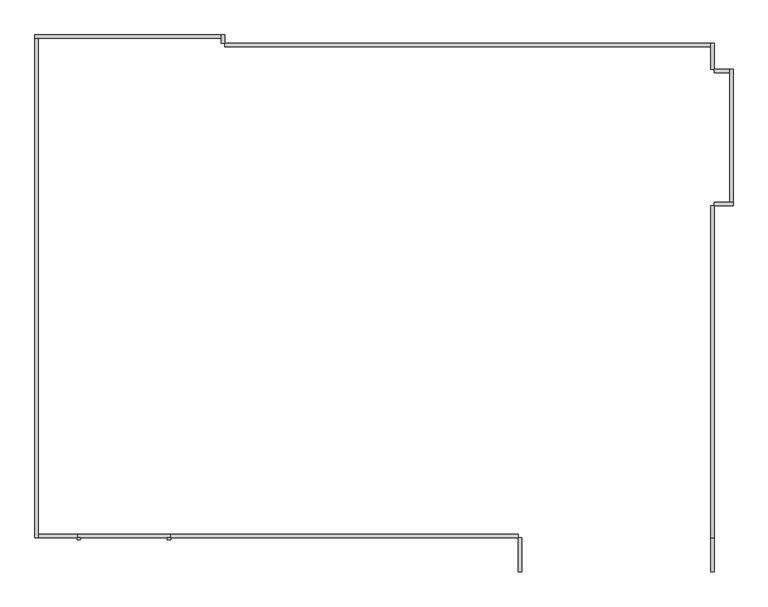
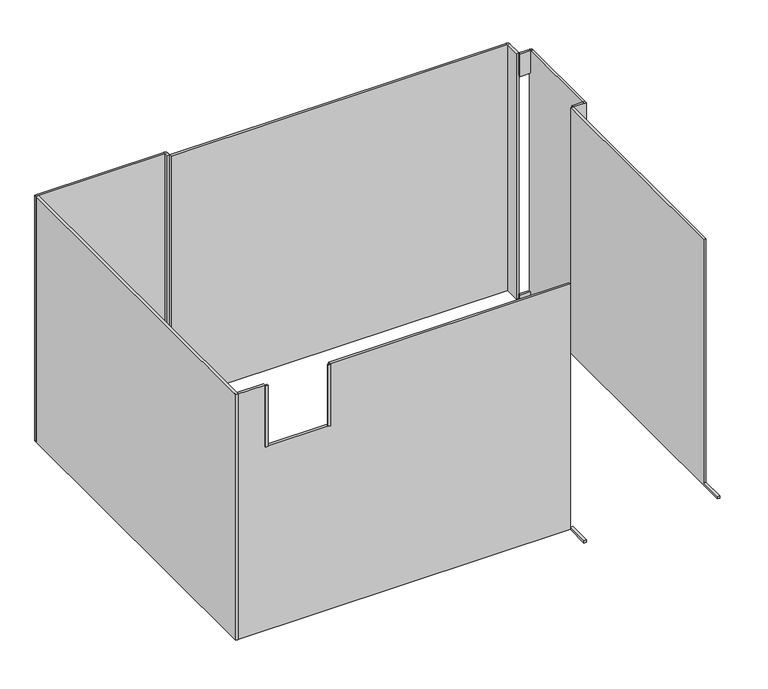
"""IFC4 building model written with IfcOpenShell, lengths in millimetres: proxy geometry."""

import ifcopenshell
import ifcopenshell.guid

model = None  # the IFC model being written
_history = None  # IfcOwnerHistory: only IFC2X3 demands one
_inside = {}  # id of a spatial element -> (the spatial element, [elements in it])
_under = {}  # id of a project, library or spatial element -> (it, [spatial elements below it])
_declared = {}  # id of a project -> (the project, [libraries it declares])
_typed = {}  # id of a type object -> (the type object, [elements of that type])
_made_of = {}  # id of a material, layer set ... -> (it, [elements and type objects made of it])


def new_model(schema):
    """Start an empty IFC model of exactly this schema.

    Asked for "IFC4X3", IfcOpenShell would pick the latest addendum, in which some entities
    have other attributes; the version numbers below select the first issue.
    IFC2X3 requires an IfcOwnerHistory on every rooted entity: one is made here for all.
    """
    global model, _history
    if schema == "IFC4X3":
        model = ifcopenshell.file(schema_version=(4, 3, 0, 0))
    else:
        model = ifcopenshell.file(schema=schema)
    _inside.clear()
    _under.clear()
    _declared.clear()
    _typed.clear()
    _made_of.clear()
    _history = None
    if model.schema == "IFC2X3":
        org = make("IfcOrganization", Name="unknown")
        user = make(
            "IfcPersonAndOrganization",
            ThePerson=make("IfcPerson", FamilyName="unknown"),
            TheOrganization=org,
        )
        app = make(
            "IfcApplication",
            ApplicationDeveloper=org,
            Version="unknown",
            ApplicationFullName="unknown",
            ApplicationIdentifier="unknown",
        )
        _history = make(
            "IfcOwnerHistory",
            OwningUser=user,
            OwningApplication=app,
            ChangeAction="ADDED",
            CreationDate=0,
        )
    return model


def make(cls, **values):
    """One entity of the class cls with the attributes given. An attribute that is None is left unset."""
    return model.create_entity(
        cls, **{name: value for name, value in values.items() if value is not None}
    )


def rooted(cls, **values):
    """An entity with a GlobalId (a new one), such as an element, a storey or a relation."""
    return make(cls, GlobalId=ifcopenshell.guid.new(), OwnerHistory=_history, **values)


def si_unit(unit_type, name, prefix=None):
    """IfcSIUnit, for example si_unit("LENGTHUNIT", "METRE", prefix="MILLI")."""
    return make("IfcSIUnit", UnitType=unit_type, Prefix=prefix, Name=name)


def assignment(units):
    """IfcUnitAssignment: the units of a project."""
    return None if units is None else make("IfcUnitAssignment", Units=units)


def point(xyz):
    """IfcCartesianPoint."""
    return None if xyz is None else make("IfcCartesianPoint", Coordinates=xyz)


def direction(xyz):
    """IfcDirection."""
    return None if xyz is None else make("IfcDirection", DirectionRatios=xyz)


def frame(location, z_axis=None, x_axis=None):
    """IfcAxis2Placement3D, a coordinate frame: its origin and axes. An axis left out is left unset."""
    return make(
        "IfcAxis2Placement3D",
        Location=point(location),
        Axis=direction(z_axis),
        RefDirection=direction(x_axis),
    )


def origin():
    """The frame at (0, 0, 0) with its axes left unset."""
    return frame((0.0, 0.0, 0.0))


def place(relative_to, where):
    """IfcLocalPlacement: puts the frame where relative to a parent placement (None: the world)."""
    return make(
        "IfcLocalPlacement", PlacementRelTo=relative_to, RelativePlacement=where
    )


def context(
    kind, dimensions, precision=None, world=None, true_north=None, identifier=None
):
    """IfcGeometricRepresentationContext, for example the 3D "Model" context."""
    return make(
        "IfcGeometricRepresentationContext",
        ContextIdentifier=identifier,
        ContextType=kind,
        CoordinateSpaceDimension=dimensions,
        Precision=precision,
        WorldCoordinateSystem=world,
        TrueNorth=true_north,
    )


def project(units=None, contexts=None):
    """IfcProject with its units and contexts."""
    return rooted(
        "IfcProject",
        Name="project",
        RepresentationContexts=contexts,
        UnitsInContext=assignment(units),
    )


def spatial(cls, under=None, at=None, **own):
    """A site, building, storey or space (cls), placed at a placement, below another one or the project."""
    s = rooted(cls, ObjectPlacement=at, **own)
    if under is not None:
        _under.setdefault(under.id(), (under, []))[1].append(s)
    return s


def polyline(points):
    """IfcPolyline through the points."""
    return make("IfcPolyline", Points=[point(p) for p in points])


def outline(outer, holes=None, kind="AREA"):
    """IfcArbitraryClosedProfileDef: a profile drawn as a closed curve; with holes, ...WithVoids."""
    if holes is None:
        return make("IfcArbitraryClosedProfileDef", ProfileType=kind, OuterCurve=outer)
    return make(
        "IfcArbitraryProfileDefWithVoids",
        ProfileType=kind,
        OuterCurve=outer,
        InnerCurves=holes,
    )


def extrude(swept, where, along, depth):
    """IfcExtrudedAreaSolid: the profile swept, set in the frame where, extruded along a direction by depth."""
    return make(
        "IfcExtrudedAreaSolid",
        SweptArea=swept,
        Position=where,
        ExtrudedDirection=direction(along),
        Depth=depth,
    )


def shape(context_of_items, identifier, shape_type, items):
    """IfcShapeRepresentation: the items that make up one representation, for example the "Body"."""
    return make(
        "IfcShapeRepresentation",
        ContextOfItems=context_of_items,
        RepresentationIdentifier=identifier,
        RepresentationType=shape_type,
        Items=items,
    )


def source(mapping_origin, context_of_items, identifier, shape_type, items):
    """IfcRepresentationMap: a shape defined once, which mapped items show again and again."""
    return make(
        "IfcRepresentationMap",
        MappingOrigin=mapping_origin,
        MappedRepresentation=shape(context_of_items, identifier, shape_type, items),
    )


def transform(
    local_origin,
    x_axis=None,
    y_axis=None,
    z_axis=None,
    scale=None,
    scale2=None,
    scale3=None,
    uniform=True,
):
    """IfcCartesianTransformationOperator3D, or its non-uniform kind. x_axis, y_axis, z_axis: its Axis1, 2, 3."""
    if uniform:
        return make(
            "IfcCartesianTransformationOperator3D",
            Axis1=direction(x_axis),
            Axis2=direction(y_axis),
            LocalOrigin=point(local_origin),
            Scale=scale,
            Axis3=direction(z_axis),
        )
    return make(
        "IfcCartesianTransformationOperator3DnonUniform",
        Axis1=direction(x_axis),
        Axis2=direction(y_axis),
        LocalOrigin=point(local_origin),
        Scale=scale,
        Axis3=direction(z_axis),
        Scale2=scale2,
        Scale3=scale3,
    )


def mapped(mapping_source, mapping_target):
    """IfcMappedItem: shows the shape of a source again, moved by a transform."""
    return make(
        "IfcMappedItem", MappingSource=mapping_source, MappingTarget=mapping_target
    )


def made_of(thing, what):
    """Note that an element or type object is made of a material, layer set ...; save() writes the relation."""
    if what is not None:
        _made_of.setdefault(what.id(), (what, []))[1].append(thing)
    return thing


def element(
    cls,
    number,
    at=None,
    inside=None,
    cuts=None,
    type_object=None,
    material=None,
    context=None,
    identifier="Body",
    shape_type=None,
    held_by="IfcProductDefinitionShape",
    body=None,
    shapes=None,
    **own,
):
    """One element of the class cls, such as IfcWall. Its Tag is "e" and its number.

    at: its placement. inside: the storey or other place that contains it. cuts: it is an
    opening in that element (IfcRelVoidsElement). A single representation is given by context,
    identifier, shape_type and body (its items); several are given by shapes. held_by: the class
    of the entity that holds the representations. save() writes the other relations.
    """
    e = rooted(cls, Tag="e%d" % number, ObjectPlacement=at, **own)
    if body is not None:
        shapes = [shape(context, identifier, shape_type, body)]
    if shapes is not None:
        e.Representation = make(held_by, Representations=shapes)
    if inside is not None:
        _inside.setdefault(inside.id(), (inside, []))[1].append(e)
    if cuts is not None:
        rooted(
            "IfcRelVoidsElement", RelatingBuildingElement=cuts, RelatedOpeningElement=e
        )
    if type_object is not None:
        _typed.setdefault(type_object.id(), (type_object, []))[1].append(e)
    return made_of(e, material)


def aggregate(whole, parts):
    """IfcRelAggregates: a whole, such as a stair, and the parts it consists of."""
    return rooted("IfcRelAggregates", RelatingObject=whole, RelatedObjects=parts)


def save(model, path):
    """Write the relations noted so far, then the file.

    IfcRelAggregates (storeys below a building ...), IfcRelContainedInSpatialStructure (elements
    in a storey), IfcRelDefinesByType, IfcRelAssociatesMaterial and IfcRelDeclares: one each for
    every whole, place, type object, material and project.
    """
    for whole, parts in _under.values():
        aggregate(whole, parts)
    for where, things in _inside.values():
        rooted(
            "IfcRelContainedInSpatialStructure",
            RelatedElements=things,
            RelatingStructure=where,
        )
    for kind, things in _typed.values():
        rooted("IfcRelDefinesByType", RelatedObjects=things, RelatingType=kind)
    for what, things in _made_of.values():
        rooted("IfcRelAssociatesMaterial", RelatedObjects=things, RelatingMaterial=what)
    for by, libraries in _declared.values():
        rooted("IfcRelDeclares", RelatingContext=by, RelatedDefinitions=libraries)
    model.write(path)


def generic_models_980903ae(model_context):
    return source(origin(), model_context, "Body", "SweptSolid", [
        extrude(outline(polyline([(-7355.8729589, 6979.2010971), (-7355.8729589, 7130.4697439), (-7335.8729589, 7130.4697439), (-7335.8729589, 6979.2010971), (-7355.8729589, 6979.2010971)])), frame((0.0, 0.0, -340.0), z_axis=(0.0, 0.0, 1.0), x_axis=(1.0, 0.0, 0.0)), (0.0, 0.0, 1.0), 2200.0),
        extrude(outline(polyline([(-7335.8729589, 7110.4697439), (-10209.8739293, 7110.4697439), (-10209.8739293, 7130.4697439), (-7335.8729589, 7130.4697439), (-7335.8729589, 7110.4697439)])), frame((0.0, 0.0, -340.0), z_axis=(0.0, 0.0, 1.0), x_axis=(1.0, 0.0, 0.0)), (0.0, 0.0, 1.0), 2200.0),
        extrude(outline(polyline([(-10229.8739293, 7130.4697439), (-10229.8739293, 7180.4697439), (-10209.8739293, 7180.4697439), (-10209.8739293, 7130.4697439), (-10229.8739293, 7130.4697439)])), frame((0.0, 0.0, -340.0), z_axis=(0.0, 0.0, 1.0), x_axis=(1.0, 0.0, 0.0)), (0.0, 0.0, 1.0), 2200.0),
        extrude(outline(polyline([(-10209.8739293, 7160.4697439), (-11322.8729589, 7160.4697439), (-11322.8729589, 7180.4697439), (-10209.8739293, 7180.4697439), (-10209.8739293, 7160.4697439)])), frame((0.0, 0.0, -340.0), z_axis=(0.0, 0.0, 1.0), x_axis=(1.0, 0.0, 0.0)), (0.0, 0.0, 1.0), 2200.0),
        extrude(outline(polyline([(-11302.8729589, 7180.4697439), (-11302.8729589, 4229.2068086), (-11322.8729589, 4229.2068086), (-11322.8729589, 7180.4697439), (-11302.8729589, 7180.4697439)])), frame((0.0, 0.0, -340.0), z_axis=(0.0, 0.0, 1.0), x_axis=(1.0, 0.0, 0.0)), (0.0, 0.0, 1.0), 2200.0),
        extrude(outline(polyline([(-340.0, -11322.8729589), (-340.0, -8485.8729589), (1860.0, -8485.8729589), (1860.0, -10525.8729589), (1310.0, -10525.8729589), (1310.0, -11075.8729589), (1860.0, -11075.8729589), (1860.0, -11322.8729589), (-340.0, -11322.8729589)])), frame((0.0, 4229.2068086, 0.0), z_axis=(0.0, 1.0, 0.0), x_axis=(0.0, 0.0, 1.0)), (0.0, 0.0, 1.0), 20.0),
        extrude(outline(polyline([(-8465.8729589, 4229.2068086), (-8465.8729589, 4029.2068086), (-8485.8729589, 4029.2068086), (-8485.8729589, 4229.2068086), (-8465.8729589, 4229.2068086)])), frame((0.0, 0.0, -340.0), z_axis=(0.0, 0.0, 1.0), x_axis=(1.0, 0.0, 0.0)), (0.0, 0.0, 1.0), 20.0),
        extrude(outline(polyline([(4029.2068086, -340.0), (4029.2068086, -320.0), (4229.2068086, -320.0), (4229.2068086, 1860.0), (6179.2010971, 1860.0), (6179.2010971, -340.0), (4029.2068086, -340.0)])), frame((-7355.8729589, 0.0, 0.0), z_axis=(1.0, 0.0, 0.0), x_axis=(0.0, 1.0, 0.0)), (0.0, 0.0, 1.0), 20.0),
        extrude(outline(polyline([(-7335.8729589, 6199.2010971), (-7225.8729589, 6199.2010971), (-7225.8729589, 6179.2010971), (-7335.8729589, 6179.2010971), (-7335.8729589, 6199.2010971)])), frame((0.0, 0.0, -340.0), z_axis=(0.0, 0.0, 1.0), x_axis=(1.0, 0.0, 0.0)), (0.0, 0.0, 1.0), 40.0),
        extrude(outline(polyline([(-7335.8729589, 6199.2010971), (-7225.8729589, 6199.2010971), (-7225.8729589, 6179.2010971), (-7335.8729589, 6179.2010971), (-7335.8729589, 6199.2010971)])), frame((0.0, 0.0, 1660.0), z_axis=(0.0, 0.0, 1.0), x_axis=(1.0, 0.0, 0.0)), (0.0, 0.0, 1.0), 200.0),
        extrude(outline(polyline([(-7245.8729589, 6179.2010971), (-7245.8729589, 6979.2010971), (-7225.8729589, 6979.2010971), (-7225.8729589, 6179.2010971), (-7245.8729589, 6179.2010971)])), frame((0.0, 0.0, -340.0), z_axis=(0.0, 0.0, 1.0), x_axis=(1.0, 0.0, 0.0)), (0.0, 0.0, 1.0), 2200.0),
        extrude(outline(polyline([(-7225.8729589, 6959.2010971), (-7335.8729589, 6959.2010971), (-7335.8729589, 6979.2010971), (-7225.8729589, 6979.2010971), (-7225.8729589, 6959.2010971)])), frame((0.0, 0.0, -340.0), z_axis=(0.0, 0.0, 1.0), x_axis=(1.0, 0.0, 0.0)), (0.0, 0.0, 1.0), 40.0),
        extrude(outline(polyline([(-7225.8729589, 6959.2010971), (-7335.8729589, 6959.2010971), (-7335.8729589, 6979.2010971), (-7225.8729589, 6979.2010971), (-7225.8729589, 6959.2010971)])), frame((0.0, 0.0, 1660.0), z_axis=(0.0, 0.0, 1.0), x_axis=(1.0, 0.0, 0.0)), (0.0, 0.0, 1.0), 200.0),
        extrude(outline(polyline([(-10545.8729589, 4219.2068086), (-10545.8729589, 4229.2068086), (-10525.8729589, 4229.2068086), (-10525.8729589, 4219.2068086), (-10545.8729589, 4219.2068086)])), frame((0.0, 0.0, 1310.0), z_axis=(0.0, 0.0, 1.0), x_axis=(1.0, 0.0, 0.0)), (0.0, 0.0, 1.0), 550.0),
        extrude(outline(polyline([(-11055.8729589, 4229.2068086), (-11055.8729589, 4219.2068086), (-11075.8729589, 4219.2068086), (-11075.8729589, 4229.2068086), (-11055.8729589, 4229.2068086)])), frame((0.0, 0.0, 1310.0), z_axis=(0.0, 0.0, 1.0), x_axis=(1.0, 0.0, 0.0)), (0.0, 0.0, 1.0), 550.0),
    ])


if __name__ == "__main__":
    model = new_model("IFC4")
    model_context = context("Model", 3, world=origin())
    ifc_project = project(units=[si_unit("LENGTHUNIT", "METRE", prefix="MILLI")], contexts=[model_context])
    site = spatial("IfcSite", under=ifc_project)
    building = spatial("IfcBuilding", under=site)
    placement = place(None, origin())
    generic_models_shape = generic_models_980903ae(model_context)
    element("IfcBuildingElementProxy", 1, Name="Generic Models", at=placement, inside=building, context=model_context, shape_type="MappedRepresentation", body=[
        mapped(generic_models_shape, transform((0.0, 0.0, 0.0), x_axis=(1.0, 0.0, 0.0), y_axis=(0.0, 1.0, 0.0), z_axis=(0.0, 0.0, 1.0))),
    ])
    save(model, "model.ifc")
